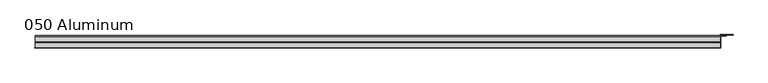
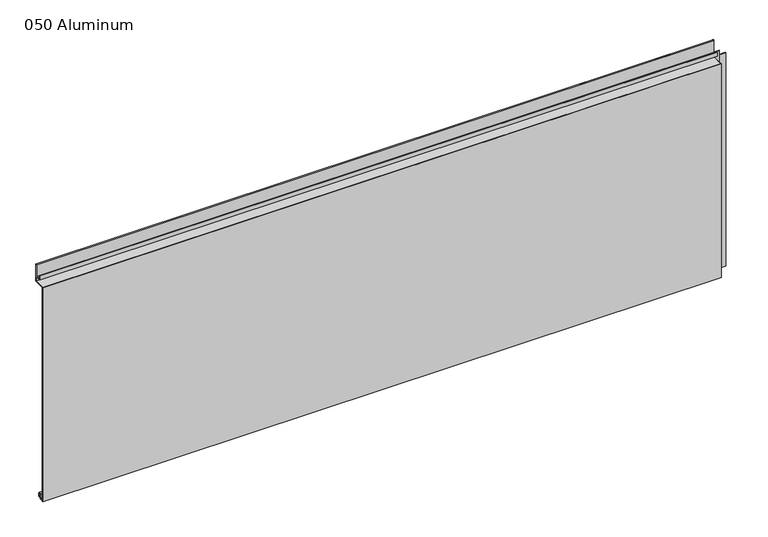
"""IFC4 building model written with IfcOpenShell, lengths in millimetres: plate geometry, 050 Aluminum."""

from ifc_helpers import new_model, si_unit, point, frame, frame_2d, origin, origin_with_axes, place, context, project, spatial, polyline, circle_curve, trimmed, segment, composite_curve, outline, extrude, source, transform, mapped, element, save


def plate_050_aluminum_1701ea28(model_context):
    return source(origin(), model_context, "Body", "SweptSolid", [
        extrude(outline(composite_curve([segment(polyline([(-16.6765477, 13.1458337), (-16.6765477, 2.786437), (-17.9464915, 2.786437), (-17.9464915, 13.1323356)]), True, "CONTINUOUS"), segment(trimmed(circle_curve(frame_2d((-19.8514743, 13.124237)), 1.905), [point((-17.9464915, 13.1323356))], [point((-21.7564743, 13.124237))], True, "CARTESIAN"), True, "CONTINUOUS"), segment(polyline([(-21.7564743, 13.124237), (-21.7564743, 0.0), (-34.7980002, 0.0), (-34.7980002, 1.2693678), (-23.0264743, 1.2693678), (-23.0264743, 13.124237)]), True, "CONTINUOUS"), segment(trimmed(circle_curve(frame_2d((-19.8514743, 13.124237)), 3.175), [point((-23.0264743, 13.124237))], [point((-16.6765477, 13.1458337))], False, "CARTESIAN"), True, "CONTINUOUS")], self_intersect=False)), frame((-919.48, 0.0, 0.0), z_axis=(1.0, 0.0, 0.0), x_axis=(0.0, 1.0, 0.0)), (0.0, 0.0, 1.0), 1826.26),
        extrude(outline(composite_curve([segment(polyline([(-2.0574743, 656.7932001), (-2.0574743, 608.33), (-34.7980002, 608.33), (-34.7980002, 609.6000001), (-3.3274743, 609.6000001), (-3.3274743, 656.7932001)]), True, "CONTINUOUS"), segment(trimmed(circle_curve(frame_2d((-3.7084742, 656.7932001)), 0.3809999), [point((-3.3274743, 656.7932001))], [point((-4.0894742, 656.7932001))], True, "CARTESIAN"), True, "CONTINUOUS"), segment(polyline([(-4.0894742, 656.7932001), (-4.0894742, 622.3), (-20.4864742, 622.3), (-20.4864742, 633.6538), (-19.2164743, 633.6538), (-19.2164743, 623.57), (-5.3594742, 623.57), (-5.3594742, 656.7932001)]), True, "CONTINUOUS"), segment(trimmed(circle_curve(frame_2d((-3.7084742, 656.7932001)), 1.6509999), [point((-5.3594742, 656.7932001))], [point((-2.0574743, 656.7932001))], False, "CARTESIAN"), True, "CONTINUOUS")], self_intersect=False)), frame((-919.48, 0.0, 0.0), z_axis=(1.0, 0.0, 0.0), x_axis=(0.0, 1.0, 0.0)), (0.0, 0.0, 1.0), 1826.26),
        extrude(outline(polyline([(-920.75, -36.068), (-920.75, -34.7980001), (908.05, -34.7980001), (908.05, -36.068), (-920.75, -36.068)])), origin_with_axes(), (0.0, 0.0, 1.0), 609.6),
        extrude(outline(polyline([(908.05, -1.2699999), (908.05, -34.7980002), (906.7800001, -34.7980002), (906.7800001, 0.0), (940.5620856, 0.0), (940.5620856, -1.2699999), (908.05, -1.2699999)])), origin_with_axes(), (0.0, 0.0, 1.0), 608.33),
        extrude(outline(polyline([(906.78, -3.3274743), (906.78, -2.0574743), (922.5279999, -2.0574743), (922.5279999, -3.3274743), (906.78, -3.3274743)])), origin_with_axes(), (0.0, 0.0, 1.0), 622.3),
    ])


if __name__ == "__main__":
    model = new_model("IFC4")
    model_context = context("Model", 3, world=origin())
    ifc_project = project(units=[si_unit("LENGTHUNIT", "METRE", prefix="MILLI")], contexts=[model_context])
    site = spatial("IfcSite", under=ifc_project)
    building = spatial("IfcBuilding", under=site)
    placement = place(None, origin())
    plate_050_aluminum_shape = plate_050_aluminum_1701ea28(model_context)
    element("IfcPlate", 1, ObjectType="050 Aluminum", at=placement, inside=building, context=model_context, shape_type="MappedRepresentation", body=[
        mapped(plate_050_aluminum_shape, transform((0.0, 0.0, 0.0), x_axis=(1.0, 0.0, 0.0), y_axis=(0.0, 1.0, 0.0), z_axis=(0.0, 0.0, 1.0))),
    ])
    save(model, "model.ifc")
